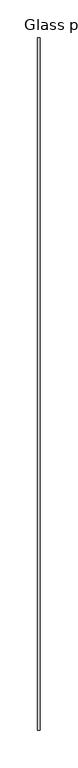
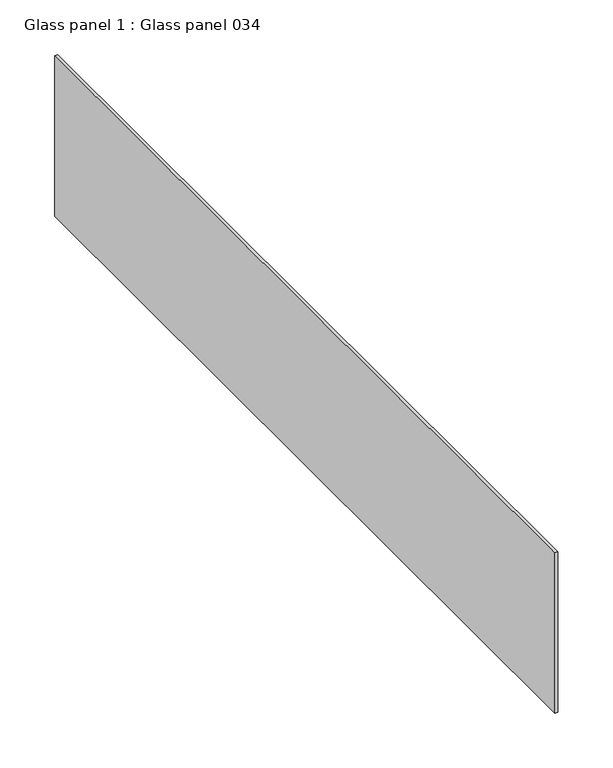
"""IFC4 building model written with IfcOpenShell, lengths in millimetres: proxy geometry, Glass panel 1 : Glass panel 034."""

from ifc_helpers import new_model, si_unit, frame, origin, place, context, project, spatial, polyline, outline, extrude, source, transform, mapped, element, save


def glass_panel_1_glass_panel_034_4a2ac0cd(model_context):
    return source(origin(), model_context, "Body", "SweptSolid", [
        extrude(outline(polyline([(37056.9613545, -25196.3529946), (37053.7863545, -25196.3529946), (37053.7863545, -24281.9529946), (37056.9613545, -24281.9529946), (37056.9613545, -25196.3529946)])), frame((0.0, 0.0, 1787.8511868), z_axis=(0.0, 0.0, 1.0), x_axis=(1.0, 0.0, 0.0)), (0.0, 0.0, 1.0), 179.3112705),
    ])


if __name__ == "__main__":
    model = new_model("IFC4")
    model_context = context("Model", 3, world=origin())
    ifc_project = project(units=[si_unit("LENGTHUNIT", "METRE", prefix="MILLI")], contexts=[model_context])
    site = spatial("IfcSite", under=ifc_project)
    building = spatial("IfcBuilding", under=site)
    placement = place(None, origin())
    glass_panel_1_glass_panel_034_shape = glass_panel_1_glass_panel_034_4a2ac0cd(model_context)
    element("IfcBuildingElementProxy", 1, Name="Glass panel 1 : Glass panel 034", ObjectType="Glass panel 1 : Glass panel 034", at=placement, inside=building, context=model_context, shape_type="MappedRepresentation", body=[
        mapped(glass_panel_1_glass_panel_034_shape, transform((0.0, 0.0, 0.0), x_axis=(1.0, 0.0, 0.0), y_axis=(0.0, 1.0, 0.0), z_axis=(0.0, 0.0, 1.0))),
    ])
    save(model, "model.ifc")
